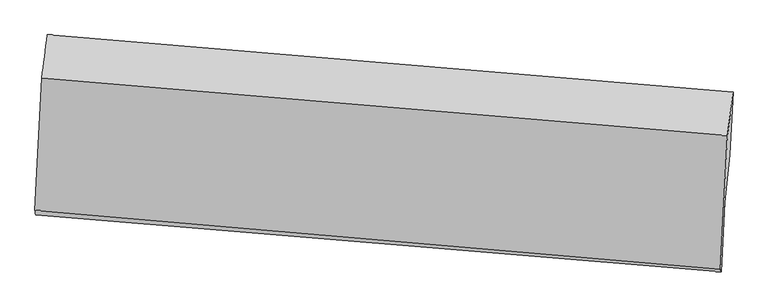
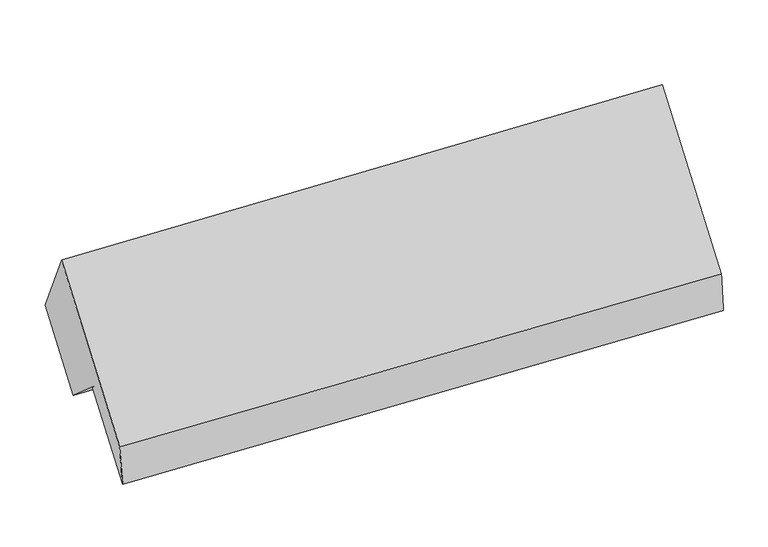
"""IFC4 building model written with IfcOpenShell, lengths in millimetres: proxy geometry."""

import ifcopenshell
import ifcopenshell.guid

model = None  # the IFC model being written
_history = None  # IfcOwnerHistory: only IFC2X3 demands one
_inside = {}  # id of a spatial element -> (the spatial element, [elements in it])
_under = {}  # id of a project, library or spatial element -> (it, [spatial elements below it])
_declared = {}  # id of a project -> (the project, [libraries it declares])
_typed = {}  # id of a type object -> (the type object, [elements of that type])
_made_of = {}  # id of a material, layer set ... -> (it, [elements and type objects made of it])


def new_model(schema):
    """Start an empty IFC model of exactly this schema.

    Asked for "IFC4X3", IfcOpenShell would pick the latest addendum, in which some entities
    have other attributes; the version numbers below select the first issue.
    IFC2X3 requires an IfcOwnerHistory on every rooted entity: one is made here for all.
    """
    global model, _history
    if schema == "IFC4X3":
        model = ifcopenshell.file(schema_version=(4, 3, 0, 0))
    else:
        model = ifcopenshell.file(schema=schema)
    _inside.clear()
    _under.clear()
    _declared.clear()
    _typed.clear()
    _made_of.clear()
    _history = None
    if model.schema == "IFC2X3":
        org = make("IfcOrganization", Name="unknown")
        user = make(
            "IfcPersonAndOrganization",
            ThePerson=make("IfcPerson", FamilyName="unknown"),
            TheOrganization=org,
        )
        app = make(
            "IfcApplication",
            ApplicationDeveloper=org,
            Version="unknown",
            ApplicationFullName="unknown",
            ApplicationIdentifier="unknown",
        )
        _history = make(
            "IfcOwnerHistory",
            OwningUser=user,
            OwningApplication=app,
            ChangeAction="ADDED",
            CreationDate=0,
        )
    return model


def make(cls, **values):
    """One entity of the class cls with the attributes given. An attribute that is None is left unset."""
    return model.create_entity(
        cls, **{name: value for name, value in values.items() if value is not None}
    )


def rooted(cls, **values):
    """An entity with a GlobalId (a new one), such as an element, a storey or a relation."""
    return make(cls, GlobalId=ifcopenshell.guid.new(), OwnerHistory=_history, **values)


def si_unit(unit_type, name, prefix=None):
    """IfcSIUnit, for example si_unit("LENGTHUNIT", "METRE", prefix="MILLI")."""
    return make("IfcSIUnit", UnitType=unit_type, Prefix=prefix, Name=name)


def assignment(units):
    """IfcUnitAssignment: the units of a project."""
    return None if units is None else make("IfcUnitAssignment", Units=units)


def point(xyz):
    """IfcCartesianPoint."""
    return None if xyz is None else make("IfcCartesianPoint", Coordinates=xyz)


def direction(xyz):
    """IfcDirection."""
    return None if xyz is None else make("IfcDirection", DirectionRatios=xyz)


def frame(location, z_axis=None, x_axis=None):
    """IfcAxis2Placement3D, a coordinate frame: its origin and axes. An axis left out is left unset."""
    return make(
        "IfcAxis2Placement3D",
        Location=point(location),
        Axis=direction(z_axis),
        RefDirection=direction(x_axis),
    )


def origin():
    """The frame at (0, 0, 0) with its axes left unset."""
    return frame((0.0, 0.0, 0.0))


def place(relative_to, where):
    """IfcLocalPlacement: puts the frame where relative to a parent placement (None: the world)."""
    return make(
        "IfcLocalPlacement", PlacementRelTo=relative_to, RelativePlacement=where
    )


def context(
    kind, dimensions, precision=None, world=None, true_north=None, identifier=None
):
    """IfcGeometricRepresentationContext, for example the 3D "Model" context."""
    return make(
        "IfcGeometricRepresentationContext",
        ContextIdentifier=identifier,
        ContextType=kind,
        CoordinateSpaceDimension=dimensions,
        Precision=precision,
        WorldCoordinateSystem=world,
        TrueNorth=true_north,
    )


def project(units=None, contexts=None):
    """IfcProject with its units and contexts."""
    return rooted(
        "IfcProject",
        Name="project",
        RepresentationContexts=contexts,
        UnitsInContext=assignment(units),
    )


def spatial(cls, under=None, at=None, **own):
    """A site, building, storey or space (cls), placed at a placement, below another one or the project."""
    s = rooted(cls, ObjectPlacement=at, **own)
    if under is not None:
        _under.setdefault(under.id(), (under, []))[1].append(s)
    return s


def shape(context_of_items, identifier, shape_type, items):
    """IfcShapeRepresentation: the items that make up one representation, for example the "Body"."""
    return make(
        "IfcShapeRepresentation",
        ContextOfItems=context_of_items,
        RepresentationIdentifier=identifier,
        RepresentationType=shape_type,
        Items=items,
    )


def source(mapping_origin, context_of_items, identifier, shape_type, items):
    """IfcRepresentationMap: a shape defined once, which mapped items show again and again."""
    return make(
        "IfcRepresentationMap",
        MappingOrigin=mapping_origin,
        MappedRepresentation=shape(context_of_items, identifier, shape_type, items),
    )


def transform(
    local_origin,
    x_axis=None,
    y_axis=None,
    z_axis=None,
    scale=None,
    scale2=None,
    scale3=None,
    uniform=True,
):
    """IfcCartesianTransformationOperator3D, or its non-uniform kind. x_axis, y_axis, z_axis: its Axis1, 2, 3."""
    if uniform:
        return make(
            "IfcCartesianTransformationOperator3D",
            Axis1=direction(x_axis),
            Axis2=direction(y_axis),
            LocalOrigin=point(local_origin),
            Scale=scale,
            Axis3=direction(z_axis),
        )
    return make(
        "IfcCartesianTransformationOperator3DnonUniform",
        Axis1=direction(x_axis),
        Axis2=direction(y_axis),
        LocalOrigin=point(local_origin),
        Scale=scale,
        Axis3=direction(z_axis),
        Scale2=scale2,
        Scale3=scale3,
    )


def mapped(mapping_source, mapping_target):
    """IfcMappedItem: shows the shape of a source again, moved by a transform."""
    return make(
        "IfcMappedItem", MappingSource=mapping_source, MappingTarget=mapping_target
    )


def made_of(thing, what):
    """Note that an element or type object is made of a material, layer set ...; save() writes the relation."""
    if what is not None:
        _made_of.setdefault(what.id(), (what, []))[1].append(thing)
    return thing


def element(
    cls,
    number,
    at=None,
    inside=None,
    cuts=None,
    type_object=None,
    material=None,
    context=None,
    identifier="Body",
    shape_type=None,
    held_by="IfcProductDefinitionShape",
    body=None,
    shapes=None,
    **own,
):
    """One element of the class cls, such as IfcWall. Its Tag is "e" and its number.

    at: its placement. inside: the storey or other place that contains it. cuts: it is an
    opening in that element (IfcRelVoidsElement). A single representation is given by context,
    identifier, shape_type and body (its items); several are given by shapes. held_by: the class
    of the entity that holds the representations. save() writes the other relations.
    """
    e = rooted(cls, Tag="e%d" % number, ObjectPlacement=at, **own)
    if body is not None:
        shapes = [shape(context, identifier, shape_type, body)]
    if shapes is not None:
        e.Representation = make(held_by, Representations=shapes)
    if inside is not None:
        _inside.setdefault(inside.id(), (inside, []))[1].append(e)
    if cuts is not None:
        rooted(
            "IfcRelVoidsElement", RelatingBuildingElement=cuts, RelatedOpeningElement=e
        )
    if type_object is not None:
        _typed.setdefault(type_object.id(), (type_object, []))[1].append(e)
    return made_of(e, material)


def aggregate(whole, parts):
    """IfcRelAggregates: a whole, such as a stair, and the parts it consists of."""
    return rooted("IfcRelAggregates", RelatingObject=whole, RelatedObjects=parts)


def save(model, path):
    """Write the relations noted so far, then the file.

    IfcRelAggregates (storeys below a building ...), IfcRelContainedInSpatialStructure (elements
    in a storey), IfcRelDefinesByType, IfcRelAssociatesMaterial and IfcRelDeclares: one each for
    every whole, place, type object, material and project.
    """
    for whole, parts in _under.values():
        aggregate(whole, parts)
    for where, things in _inside.values():
        rooted(
            "IfcRelContainedInSpatialStructure",
            RelatedElements=things,
            RelatingStructure=where,
        )
    for kind, things in _typed.values():
        rooted("IfcRelDefinesByType", RelatedObjects=things, RelatingType=kind)
    for what, things in _made_of.values():
        rooted("IfcRelAssociatesMaterial", RelatedObjects=things, RelatingMaterial=what)
    for by, libraries in _declared.values():
        rooted("IfcRelDeclares", RelatingContext=by, RelatedDefinitions=libraries)
    model.write(path)


def plane_surface(at):
    """IfcPlane: the flat surface through the origin of the frame at, square to its z axis."""
    return make("IfcPlane", Position=at)


def spline_surface(u_degree, v_degree, points, u_multiplicities, v_multiplicities, u_knots, v_knots, weights=None):
    """IfcBSplineSurfaceWithKnots; with weights, IfcRationalBSplineSurfaceWithKnots. points: one row for each step in u."""
    own = dict(
        UDegree=u_degree,
        VDegree=v_degree,
        ControlPointsList=[[point(p) for p in row] for row in points],
        SurfaceForm="UNSPECIFIED",
        UClosed=False,
        VClosed=False,
        SelfIntersect=False,
        UMultiplicities=u_multiplicities,
        VMultiplicities=v_multiplicities,
        UKnots=u_knots,
        VKnots=v_knots,
        KnotSpec="UNSPECIFIED",
    )
    if weights is None:
        return make("IfcBSplineSurfaceWithKnots", **own)
    return make("IfcRationalBSplineSurfaceWithKnots", WeightsData=weights, **own)


def advanced_brep(points, edges, surfaces, faces):
    """IfcAdvancedBrep: a solid bounded by faces that lie on surfaces and meet in shared edges.

    An edge is (start, end): straight between two places in points (the first is 0);
    or (start, end, curve); or (start, end, curve, False) where it runs against its curve.
    A face is (place in surfaces, loops), or (place, loops, False) where it looks against
    its surface's normal. A loop lists edges by number (the first is 1), with a minus sign
    where the edge is run from its end to its start. The first loop is the outer one.
    """
    corners = [point(p) for p in points]
    vertices = [make("IfcVertexPoint", VertexGeometry=c) for c in corners]
    made = []
    for start, end, *more in edges:
        made.append(
            make(
                "IfcEdgeCurve",
                EdgeStart=vertices[start],
                EdgeEnd=vertices[end],
                EdgeGeometry=more[0] if more else make("IfcPolyline", Points=[corners[start], corners[end]]),
                SameSense=more[1] if len(more) > 1 else True,
            )
        )
    hull = []
    for where, loops, *sense in faces:
        bounds = []
        for j, loop in enumerate(loops):
            ring = [make("IfcOrientedEdge", EdgeElement=made[abs(k) - 1], Orientation=k > 0) for k in loop]
            bounds.append(
                make(
                    "IfcFaceOuterBound" if j == 0 else "IfcFaceBound",
                    Bound=make("IfcEdgeLoop", EdgeList=ring),
                    Orientation=True,
                )
            )
        hull.append(make("IfcAdvancedFace", Bounds=bounds, FaceSurface=surfaces[where], SameSense=sense[0] if sense else True))
    return make("IfcAdvancedBrep", Outer=make("IfcClosedShell", CfsFaces=hull))


def generic_models_0670b0d7(model_context):
    return source(origin(), model_context, "Body", "AdvancedBrep", [
        advanced_brep(
        [(-5095.7097913, -976.2284057, 2657.0312066), (-5140.4253052, -1841.0337487, 1651.4455454), (-655.5066883, -2229.137079, 1746.1928888), (-610.1172714, -1351.2983413, 2766.9336309), (-5135.6021096, -1870.891599, 1359.2731209), (-649.5783879, -2244.9356998, 1455.077257), (-5112.3628641, -1421.4407935, 1881.8893248), (-626.0021909, -1788.968197, 1985.2710013), (-5080.6460066, -1110.0115596, 1612.6493073), (-594.2853334, -1477.5389631, 1716.0309838), (-5059.0094676, -691.5573614, 2099.2230144), (-572.9857459, -1065.6014623, 2195.0271505)],
        [
            (0, 1),
            (1, 2),
            (2, 3),
            (3, 0),
            (1, 4),
            (4, 5),
            (5, 2),
            (4, 6),
            (6, 7),
            (7, 5),
            (6, 8),
            (8, 9),
            (9, 7),
            (8, 10),
            (10, 11),
            (11, 9),
            (10, 0),
            (3, 11),
        ],
        [
            plane_surface(frame((-5118.0675482, -1408.6310772, 2154.238376), z_axis=(-0.07902827062197847, -0.7540732718152069, 0.6520184300895246), x_axis=(-0.03369515170436991, -0.6516697382383881, -0.7577540425599392))),
            spline_surface(1, 1, [[(-5140.4253052, -1841.0337487, 1651.4455454), (-655.5066883, -2229.137079, 1746.1928888)], [(-5135.6021096, -1870.891599, 1359.2731209), (-649.5783879, -2244.9356998, 1455.077257)]], [2, 2], [2, 2], [0.0, 1.0], [0.0, 1.0]),
            plane_surface(frame((-5123.9824869, -1646.1661962, 1620.5812228), z_axis=(0.07681533657986206, 0.754253205389844, -0.6520747704253469), x_axis=(0.03369515170437013, 0.6516697382383924, 0.7577540425599357))),
            plane_surface(frame((-5096.5044353, -1265.7261766, 1747.269316), z_axis=(-0.035908192094386004, -0.651490057666761, -0.757806905815639), x_axis=(0.07681533657986067, 0.7542532053898451, -0.6520747704253453))),
            plane_surface(frame((-5069.8277371, -900.7844605, 1855.9361608), z_axis=(0.07681533657986218, 0.7542532053898462, -0.6520747704253445), x_axis=(0.03369515170437027, 0.6516697382383898, 0.757754042559938))),
            spline_surface(1, 1, [[(-5059.0094676, -691.5573614, 2099.2230144), (-572.9857459, -1065.6014623, 2195.0271505)], [(-5095.7097913, -976.2284057, 2657.0312066), (-610.1172714, -1351.2983413, 2766.9336309)]], [2, 2], [2, 2], [0.0, 1.0], [0.0, 1.0]),
            plane_surface(frame((-618.0792696, -1692.9132904, 1977.4221521), z_axis=(0.9964758104528892, -0.08017889013606616, 0.024643554102573267), x_axis=(0.03369515170437027, 0.6516697382383898, 0.757754042559938))),
            plane_surface(frame((-5103.9592574, -1318.5272447, 1876.9185866), z_axis=(-0.9964758104528889, 0.0801788901360683, -0.024643554102573587), x_axis=(0.05850304757803047, 0.45378683328554725, -0.8891877773343253))),
        ],
        [
            (0, [[1, 2, 3, 4]]),
            (1, [[5, 6, 7, -2]]),
            (2, [[8, 9, 10, -6]]),
            (3, [[11, 12, 13, -9]]),
            (4, [[14, 15, 16, -12]]),
            (5, [[17, -4, 18, -15]]),
            (6, [[-16, -18, -3, -7, -10, -13]]),
            (7, [[-17, -14, -11, -8, -5, -1]]),
        ],
    ),
    ])


if __name__ == "__main__":
    model = new_model("IFC4")
    model_context = context("Model", 3, world=origin())
    ifc_project = project(units=[si_unit("LENGTHUNIT", "METRE", prefix="MILLI")], contexts=[model_context])
    site = spatial("IfcSite", under=ifc_project)
    building = spatial("IfcBuilding", under=site)
    placement = place(None, origin())
    generic_models_shape = generic_models_0670b0d7(model_context)
    element("IfcBuildingElementProxy", 1, Name="Generic Models", at=placement, inside=building, context=model_context, shape_type="MappedRepresentation", body=[
        mapped(generic_models_shape, transform((0.0, 0.0, 0.0), x_axis=(1.0, 0.0, 0.0), y_axis=(0.0, 1.0, 0.0), z_axis=(0.0, 0.0, 1.0))),
    ])
    save(model, "model.ifc")
